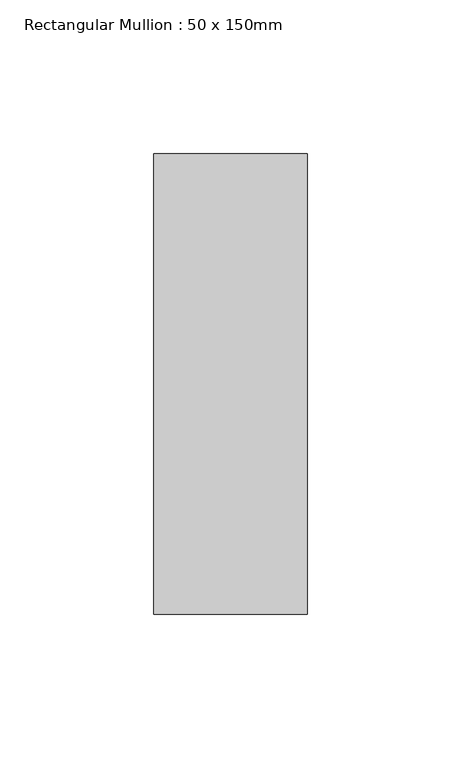
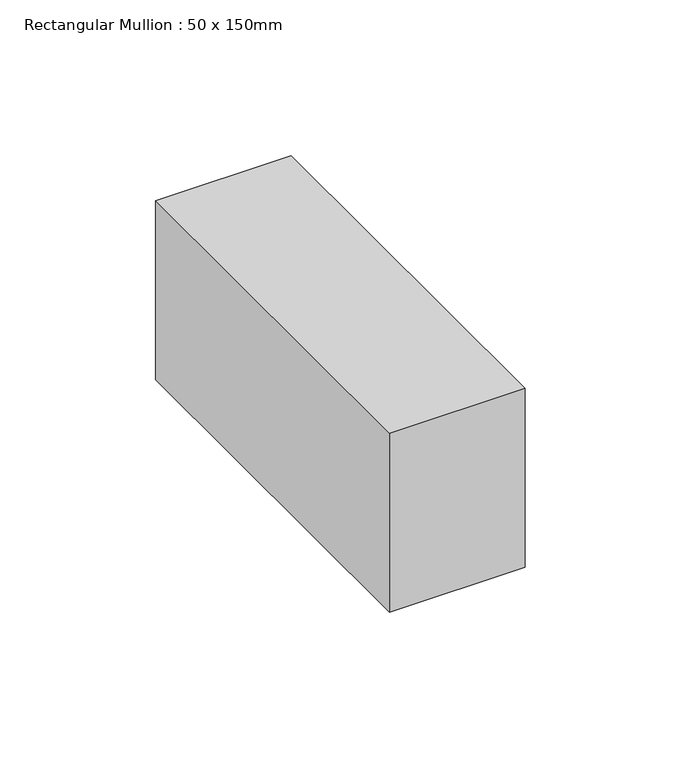
"""IFC4 building model written with IfcOpenShell, lengths in millimetres: member geometry, Rectangular Mullion : 50 x 150mm."""

from ifc_helpers import new_model, si_unit, frame, origin, place, context, project, spatial, polyline, outline, extrude, source, transform, mapped, element, save


def rectangular_mullion_50_x_150mm_1d524bfd(model_context):
    return source(origin(), model_context, "Body", "SweptSolid", [
        extrude(outline(polyline([(25.0, 75.0), (25.0, -75.0), (-25.0, -75.0), (-25.0, 75.0), (25.0, 75.0)])), frame((0.0, 0.0, -70.0), z_axis=(0.0, 0.0, 1.0), x_axis=(1.0, 0.0, 0.0)), (0.0, 0.0, 1.0), 70.0),
    ])


if __name__ == "__main__":
    model = new_model("IFC4")
    model_context = context("Model", 3, world=origin())
    ifc_project = project(units=[si_unit("LENGTHUNIT", "METRE", prefix="MILLI")], contexts=[model_context])
    site = spatial("IfcSite", under=ifc_project)
    building = spatial("IfcBuilding", under=site)
    placement = place(None, origin())
    rectangular_mullion_50_x_150mm_shape = rectangular_mullion_50_x_150mm_1d524bfd(model_context)
    element("IfcMember", 1, ObjectType="Rectangular Mullion : 50 x 150mm", at=placement, inside=building, context=model_context, shape_type="MappedRepresentation", body=[
        mapped(rectangular_mullion_50_x_150mm_shape, transform((0.0, 0.0, 0.0), x_axis=(1.0, 0.0, 0.0), y_axis=(0.0, 1.0, 0.0), z_axis=(0.0, 0.0, 1.0))),
    ])
    save(model, "model.ifc")
